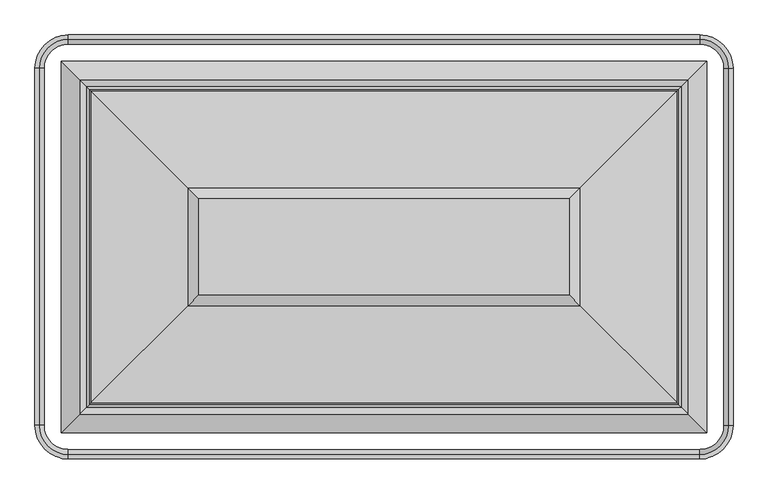
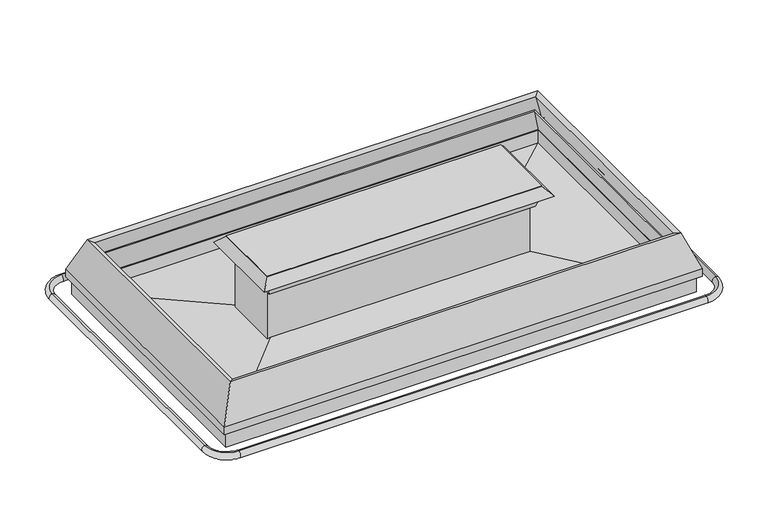
"""IFC4 building model written with IfcOpenShell, lengths in millimetres: proxy geometry."""

from ifc_helpers import new_model, si_unit, point, frame, origin, place, context, project, spatial, polyline, circle_curve, ellipse_curve, trimmed, outline, extrude, faceted_brep, source, transform, mapped, element, save
from ifc_brep_helpers import cylinder_surface, revolved_surface, advanced_brep


def mechanical_equipment_3060bb3d(model_context):
    return source(origin(), model_context, "Body", "SolidModel", [
        faceted_brep([(117.2795906, -1860.5025367, 659.9033799), (196.5954547, -1781.1866726, 861.5557008), (2486.2795453, -1781.1866726, 861.5557008), (2565.5954094, -1860.5025367, 659.9033799), (136.2488836, -1841.5332437, 652.4421919), (2546.6261164, -1841.5332437, 652.4421919), (161.0082414, -1816.7738859, 656.1660469), (160.6684124, -1817.1137149, 652.4421919), (2522.2065876, -1817.1137149, 652.4421919), (2521.8667586, -1816.7738859, 656.1660469), (207.6899, -1770.0922273, 801.2432088), (2475.1851, -1770.0922273, 801.2432088), (213.7448053, -1764.037322, 799.3299339), (2469.1301947, -1764.037322, 799.3299339), (167.0631468, -1810.7189805, 654.252772), (2515.8118532, -1810.7189805, 654.252772), (167.6563031, -1810.1258242, 649.6873876), (2515.2186969, -1810.1258242, 649.6873876), (100.5067246, -1877.2754027, 690.9584783), (100.5067246, -1877.2754027, 649.6873876), (2582.3682754, -1877.2754027, 649.6873876), (2582.3682754, -1877.2754027, 690.9584783), (171.5871715, -1806.1949558, 871.4067245), (2511.2878285, -1806.1949558, 871.4067245), (2486.2795453, -545.602582, 861.5557008), (2565.5954094, -466.2867179, 659.9033799), (2546.6261164, -485.2560109, 652.4421919), (2522.2065876, -509.6755397, 652.4421919), (2521.8667586, -510.0153687, 656.1660469), (2475.1851, -556.6970273, 801.2432088), (2469.1301947, -562.7519326, 799.3299339), (2515.8118532, -516.0702741, 654.252772), (2515.2186969, -516.6634304, 649.6873876), (2582.3682754, -449.5138519, 649.6873876), (2582.3682754, -449.5138519, 690.9584783), (2511.2878285, -520.5942988, 871.4067245), (196.5954547, -545.602582, 861.5557008), (117.2795906, -466.2867179, 659.9033799), (136.2488836, -485.2560109, 652.4421919), (160.6684124, -509.6755397, 652.4421919), (161.0082414, -510.0153687, 656.1660469), (207.6899, -556.6970273, 801.2432088), (213.7448053, -562.7519326, 799.3299339), (167.0631468, -516.0702741, 654.252772), (167.6563031, -516.6634304, 649.6873876), (100.5067246, -449.5138519, 649.6873876), (100.5067246, -449.5138519, 690.9584783), (171.5871715, -520.5942988, 871.4067245)], [[[0, 1, 2, 3]], [[4, 0, 3, 5]], [[6, 7, 8, 9]], [[10, 6, 9, 11]], [[12, 10, 11, 13]], [[14, 12, 13, 15]], [[16, 14, 15, 17]], [[18, 19, 20, 21]], [[22, 18, 21, 23]], [[1, 22, 23, 2]], [[3, 2, 24, 25]], [[5, 3, 25, 26]], [[9, 8, 27, 28]], [[11, 9, 28, 29]], [[13, 11, 29, 30]], [[15, 13, 30, 31]], [[17, 15, 31, 32]], [[21, 20, 33, 34]], [[23, 21, 34, 35]], [[2, 23, 35, 24]], [[25, 24, 36, 37]], [[26, 25, 37, 38]], [[28, 27, 39, 40]], [[29, 28, 40, 41]], [[30, 29, 41, 42]], [[31, 30, 42, 43]], [[32, 31, 43, 44]], [[34, 33, 45, 46]], [[35, 34, 46, 47]], [[24, 35, 47, 36]], [[37, 36, 1, 0]], [[38, 37, 0, 4]], [[5, 26, 38, 4], [7, 39, 27, 8]], [[40, 39, 7, 6]], [[41, 40, 6, 10]], [[42, 41, 10, 12]], [[43, 42, 12, 14]], [[44, 43, 14, 16]], [[19, 45, 33, 20], [17, 32, 44, 16]], [[46, 45, 19, 18]], [[47, 46, 18, 22]], [[36, 47, 22, 1]]]),
        extrude(outline(polyline([(2053.2098359, -1348.1169632), (629.3510743, -1348.1169632), (629.3510743, -978.6722914), (2053.2098359, -978.6722914), (2053.2098359, -1348.1169632)])), frame((0.0, 0.0, 1009.3885914), z_axis=(0.0, 0.0, 1.0), x_axis=(1.0, 0.0, 0.0)), (0.0, 0.0, 1.0), 3.1453162),
        extrude(outline(polyline([(2013.5020079, -1019.5095352), (2013.5020079, -1308.4091352), (651.401561, -1308.4091352), (651.401561, -1019.5095352), (2013.5020079, -1019.5095352)])), frame((0.0, 0.0, 581.214329), z_axis=(0.0, 0.0, 1.0), x_axis=(1.0, 0.0, 0.0)), (0.0, 0.0, 1.0), 317.8871452),
        faceted_brep([(651.401561, -1326.3805663, 893.0906294), (669.499029, -1308.2830983, 899.1014742), (2013.375971, -1308.2830983, 899.1014742), (2031.473439, -1326.3805663, 893.0906294), (627.9264988, -1349.8556285, 963.7694113), (2054.9485012, -1349.8556285, 963.7694113), (629.6651641, -1348.1169632, 1009.3885914), (588.5894698, -1389.1926575, 963.7694113), (2094.2855302, -1389.1926575, 963.7694113), (2053.2098359, -1348.1169632, 1009.3885914), (813.8861433, -1163.895984, 899.1014742), (813.8861433, -1163.895984, 1009.3885914), (1868.9888567, -1163.895984, 1009.3885914), (1868.9888567, -1163.895984, 899.1014742), (2013.375971, -1018.5061563, 899.1014742), (2031.473439, -1000.4086883, 893.0906294), (2054.9485012, -976.9336261, 963.7694113), (2094.2855302, -937.5965971, 963.7694113), (2053.2098359, -978.6722914, 1009.3885914), (1868.9888567, -1162.8932706, 1009.3885914), (1868.9888567, -1162.8932706, 899.1014742), (669.499029, -1018.5061563, 899.1014742), (651.401561, -1000.4086883, 893.0906294), (627.9264988, -976.9336261, 963.7694113), (588.5894698, -937.5965971, 963.7694113), (629.6651641, -978.6722914, 1009.3885914), (813.8861433, -1162.8932706, 1009.3885914), (813.8861433, -1162.8932706, 899.1014742)], [[[0, 1, 2, 3]], [[4, 0, 3, 5]], [[6, 7, 8, 9]], [[10, 11, 12, 13]], [[3, 2, 14, 15]], [[5, 3, 15, 16]], [[9, 8, 17, 18]], [[13, 12, 19, 20]], [[15, 14, 21, 22]], [[16, 15, 22, 23]], [[18, 17, 24, 25]], [[20, 19, 26, 27]], [[22, 21, 1, 0]], [[23, 22, 0, 4]], [[7, 24, 17, 8], [5, 16, 23, 4]], [[25, 24, 7, 6]], [[9, 18, 25, 6], [11, 26, 19, 12]], [[27, 26, 11, 10]], [[1, 21, 14, 2], [13, 20, 27, 10]]]),
        faceted_brep([(669.3729921, -1308.4091352, 432.6802077), (669.3729921, -1308.4091352, 640.7061243), (2013.5020079, -1308.4091352, 640.7061243), (2013.5020079, -1308.4091352, 432.6802077), (283.782503, -1693.9996243, 446.8348083), (2399.092497, -1693.9996243, 446.8348083), (120.7307716, -1857.0513557, 561.0048878), (2562.1442284, -1857.0513557, 561.0048878), (120.7307716, -1857.0513557, 649.6873876), (2562.1442284, -1857.0513557, 649.6873876), (168.2884124, -1809.4937149, 581.214329), (168.2884124, -1809.4937149, 649.6873876), (2514.5865876, -1809.4937149, 649.6873876), (2514.5865876, -1809.4937149, 581.214329), (2013.5020079, -1018.3801194, 640.7061243), (2013.5020079, -1018.3801194, 432.6802077), (2399.092497, -632.7896303, 446.8348083), (2562.1442284, -469.7378989, 561.0048878), (2562.1442284, -469.7378989, 649.6873876), (2514.5865876, -517.2955397, 649.6873876), (2514.5865876, -517.2955397, 581.214329), (669.3729921, -1018.3801194, 640.7061243), (669.3729921, -1018.3801194, 432.6802077), (283.782503, -632.7896303, 446.8348083), (120.7307716, -469.7378989, 561.0048878), (120.7307716, -469.7378989, 649.6873876), (168.2884124, -517.2955397, 649.6873876), (168.2884124, -517.2955397, 581.214329)], [[[0, 1, 2, 3]], [[4, 0, 3, 5]], [[6, 4, 5, 7]], [[8, 6, 7, 9]], [[10, 11, 12, 13]], [[1, 10, 13, 2]], [[3, 2, 14, 15]], [[5, 3, 15, 16]], [[7, 5, 16, 17]], [[9, 7, 17, 18]], [[13, 12, 19, 20]], [[2, 13, 20, 14]], [[15, 14, 21, 22]], [[16, 15, 22, 23]], [[17, 16, 23, 24]], [[18, 17, 24, 25]], [[20, 19, 26, 27]], [[14, 20, 27, 21]], [[22, 21, 1, 0]], [[23, 22, 0, 4]], [[24, 23, 4, 6]], [[25, 24, 6, 8]], [[9, 18, 25, 8], [11, 26, 19, 12]], [[27, 26, 11, 10]], [[21, 27, 10, 1]]]),
        advanced_brep(
        [(128.5372773, -367.261694, 567.3111181), (128.5372773, -364.6063208, 602.1833335), (2554.3377227, -364.6063208, 602.1833335), (2554.3377227, -367.261694, 567.3111181), (2664.6204333, -477.5444046, 567.3111181), (2667.2758065, -477.5444046, 602.1833335), (2667.2758065, -1849.24485, 602.1833335), (2664.6204333, -1849.24485, 567.3111181), (2554.3377227, -1959.5275606, 567.3111181), (2554.3377227, -1962.1829338, 602.1833335), (128.5372773, -1962.1829338, 602.1833335), (128.5372773, -1959.5275606, 567.3111181), (18.2545667, -1849.24485, 567.3111181), (15.5991935, -1849.24485, 602.1833335), (15.5991935, -477.5444046, 602.1833335), (18.2545667, -477.5444046, 567.3111181)],
        [
            (0, 1, circle_curve(frame((128.5372773, -366.1293194, 584.762098), z_axis=(1.0, 0.0, 0.0), x_axis=(0.0, 1.0, 0.0)), 17.4876806)),
            (1, 2),
            (2, 3, circle_curve(frame((2554.3377227, -366.1293194, 584.762098), z_axis=(-1.0, 0.0, 0.0), x_axis=(0.0, 1.0, 0.0)), 17.4876806)),
            (3, 0),
            (1, 0, circle_curve(frame((128.5372773, -366.2319692, 584.7699144), z_axis=(1.0, 0.0, 0.0), x_axis=(0.0, 1.0, 0.0)), 17.4891366)),
            (3, 2, circle_curve(frame((2554.3377227, -366.2319692, 584.7699144), z_axis=(-1.0, 0.0, 0.0), x_axis=(0.0, 1.0, 0.0)), 17.4891366)),
            (4, 3, circle_curve(frame((2554.3377227, -477.5444046, 567.3111181), z_axis=(0.0, 0.0, 1.0), x_axis=(0.0, 1.0, 0.0)), 110.2827105)),
            (2, 5, circle_curve(frame((2554.3377227, -477.5444046, 602.1833335), z_axis=(0.0, 0.0, -1.0), x_axis=(0.0, 1.0, 0.0)), 112.9380838)),
            (5, 4, circle_curve(frame((2665.7528079, -477.5444046, 584.762098), z_axis=(0.0, 1.0, 0.0), x_axis=(1.0, 0.0, 0.0)), 17.4876806)),
            (4, 5, circle_curve(frame((2665.6501581, -477.5444046, 584.7699144), z_axis=(0.0, 1.0, 0.0), x_axis=(1.0, 0.0, 0.0)), 17.4891366)),
            (5, 6),
            (6, 7, circle_curve(frame((2665.7528079, -1849.24485, 584.762098), z_axis=(0.0, 1.0, 0.0), x_axis=(1.0, 0.0, 0.0)), 17.4876806)),
            (7, 4),
            (7, 6, circle_curve(frame((2665.6501581, -1849.24485, 584.7699144), z_axis=(0.0, 1.0, 0.0), x_axis=(1.0, 0.0, 0.0)), 17.4891366)),
            (8, 7, circle_curve(frame((2554.3377227, -1849.24485, 567.3111181), z_axis=(0.0, 0.0, 1.0), x_axis=(1.0, 0.0, 0.0)), 110.2827105)),
            (6, 9, circle_curve(frame((2554.3377227, -1849.24485, 602.1833335), z_axis=(0.0, 0.0, -1.0), x_axis=(1.0, 0.0, 0.0)), 112.9380838)),
            (9, 8, circle_curve(frame((2554.3377227, -1960.6599352, 584.762098), z_axis=(1.0, 0.0, 0.0), x_axis=(0.0, -1.0, 0.0)), 17.4876806)),
            (8, 9, circle_curve(frame((2554.3377227, -1960.5572854, 584.7699144), z_axis=(1.0, 0.0, 0.0), x_axis=(0.0, -1.0, 0.0)), 17.4891366)),
            (9, 10),
            (10, 11, circle_curve(frame((128.5372773, -1960.6599352, 584.762098), z_axis=(1.0, 0.0, 0.0), x_axis=(0.0, -1.0, 0.0)), 17.4876806)),
            (11, 8),
            (11, 10, circle_curve(frame((128.5372773, -1960.5572854, 584.7699144), z_axis=(1.0, 0.0, 0.0), x_axis=(0.0, -1.0, 0.0)), 17.4891366)),
            (12, 11, circle_curve(frame((128.5372773, -1849.24485, 567.3111181), z_axis=(0.0, 0.0, 1.0), x_axis=(0.0, -1.0, 0.0)), 110.2827105)),
            (10, 13, circle_curve(frame((128.5372773, -1849.24485, 602.1833335), z_axis=(0.0, 0.0, -1.0), x_axis=(0.0, -1.0, 0.0)), 112.9380838)),
            (13, 12, circle_curve(frame((17.1221921, -1849.24485, 584.762098), z_axis=(0.0, -1.0, 0.0), x_axis=(-1.0, 0.0, 0.0)), 17.4876806)),
            (12, 13, circle_curve(frame((17.2248419, -1849.24485, 584.7699144), z_axis=(0.0, -1.0, 0.0), x_axis=(-1.0, 0.0, 0.0)), 17.4891366)),
            (13, 14),
            (14, 15, circle_curve(frame((17.1221921, -477.5444046, 584.762098), z_axis=(0.0, -1.0, 0.0), x_axis=(-1.0, 0.0, 0.0)), 17.4876806)),
            (15, 12),
            (15, 14, circle_curve(frame((17.2248419, -477.5444046, 584.7699144), z_axis=(0.0, -1.0, 0.0), x_axis=(-1.0, 0.0, 0.0)), 17.4891366)),
            (0, 15, circle_curve(frame((128.5372773, -477.5444046, 567.3111181), z_axis=(0.0, 0.0, 1.0), x_axis=(-1.0, 0.0, 0.0)), 110.2827105)),
            (14, 1, circle_curve(frame((128.5372773, -477.5444046, 602.1833335), z_axis=(0.0, 0.0, -1.0), x_axis=(-1.0, 0.0, 0.0)), 112.9380838)),
        ],
        [
            cylinder_surface(frame((128.5372773, -366.1293194, 584.762098), z_axis=(-1.0, 0.0, 0.0), x_axis=(0.0, 1.0, 0.0)), 17.4876806),
            cylinder_surface(frame((128.5372773, -366.2319692, 584.7699144), z_axis=(-1.0, 0.0, 0.0), x_axis=(0.0, 1.0, 0.0)), 17.4891366),
            revolved_surface(trimmed(ellipse_curve(frame((2554.3377227, -366.1293194, 584.762098), z_axis=(-1.0, 0.0, 0.0), x_axis=(0.0, 1.0, 0.0)), 17.4876806, 17.4876806), [point((2554.3377227, -364.6063208, 602.1833335))], [point((2554.3377227, -367.261694, 567.3111181))], True, "CARTESIAN"), (2554.3377227, -477.5444046, 0.0), (0.0, 0.0, -1.0)),
            revolved_surface(trimmed(ellipse_curve(frame((2554.3377227, -366.2319692, 584.7699144), z_axis=(-1.0, 0.0, 0.0), x_axis=(0.0, 1.0, 0.0)), 17.4891366, 17.4891366), [point((2554.3377227, -367.261694, 567.3111181))], [point((2554.3377227, -364.6063208, 602.1833335))], True, "CARTESIAN"), (2554.3377227, -477.5444046, 0.0), (0.0, 0.0, -1.0)),
            cylinder_surface(frame((2665.7528079, -477.5444046, 584.762098), z_axis=(0.0, 1.0, 0.0), x_axis=(1.0, 0.0, 0.0)), 17.4876806),
            cylinder_surface(frame((2665.6501581, -477.5444046, 584.7699144), z_axis=(0.0, 1.0, 0.0), x_axis=(1.0, 0.0, 0.0)), 17.4891366),
            revolved_surface(trimmed(ellipse_curve(frame((2665.7528079, -1849.24485, 584.762098), z_axis=(0.0, 1.0, 0.0), x_axis=(1.0, 0.0, 0.0)), 17.4876806, 17.4876806), [point((2667.2758065, -1849.24485, 602.1833335))], [point((2664.6204333, -1849.24485, 567.3111181))], True, "CARTESIAN"), (2554.3377227, -1849.24485, 0.0), (0.0, 0.0, -1.0)),
            revolved_surface(trimmed(ellipse_curve(frame((2665.6501581, -1849.24485, 584.7699144), z_axis=(0.0, 1.0, 0.0), x_axis=(1.0, 0.0, 0.0)), 17.4891366, 17.4891366), [point((2664.6204333, -1849.24485, 567.3111181))], [point((2667.2758065, -1849.24485, 602.1833335))], True, "CARTESIAN"), (2554.3377227, -1849.24485, 0.0), (0.0, 0.0, -1.0)),
            cylinder_surface(frame((2554.3377227, -1960.6599352, 584.762098), z_axis=(1.0, 0.0, 0.0), x_axis=(0.0, -1.0, 0.0)), 17.4876806),
            cylinder_surface(frame((2554.3377227, -1960.5572854, 584.7699144), z_axis=(1.0, 0.0, 0.0), x_axis=(0.0, -1.0, 0.0)), 17.4891366),
            revolved_surface(trimmed(ellipse_curve(frame((128.5372773, -1960.6599352, 584.762098), z_axis=(1.0, 0.0, 0.0), x_axis=(0.0, -1.0, 0.0)), 17.4876806, 17.4876806), [point((128.5372773, -1962.1829338, 602.1833335))], [point((128.5372773, -1959.5275606, 567.3111181))], True, "CARTESIAN"), (128.5372773, -1849.24485, 0.0), (0.0, 0.0, -1.0)),
            revolved_surface(trimmed(ellipse_curve(frame((128.5372773, -1960.5572854, 584.7699144), z_axis=(1.0, 0.0, 0.0), x_axis=(0.0, -1.0, 0.0)), 17.4891366, 17.4891366), [point((128.5372773, -1959.5275606, 567.3111181))], [point((128.5372773, -1962.1829338, 602.1833335))], True, "CARTESIAN"), (128.5372773, -1849.24485, 0.0), (0.0, 0.0, -1.0)),
            cylinder_surface(frame((17.1221921, -1849.24485, 584.762098), z_axis=(0.0, -1.0, 0.0), x_axis=(-1.0, 0.0, 0.0)), 17.4876806),
            cylinder_surface(frame((17.2248419, -1849.24485, 584.7699144), z_axis=(0.0, -1.0, 0.0), x_axis=(-1.0, 0.0, 0.0)), 17.4891366),
            revolved_surface(trimmed(ellipse_curve(frame((17.1221921, -477.5444046, 584.762098), z_axis=(0.0, -1.0, 0.0), x_axis=(-1.0, 0.0, 0.0)), 17.4876806, 17.4876806), [point((15.5991935, -477.5444046, 602.1833335))], [point((18.2545667, -477.5444046, 567.3111181))], True, "CARTESIAN"), (128.5372773, -477.5444046, 0.0), (0.0, 0.0, -1.0)),
            revolved_surface(trimmed(ellipse_curve(frame((17.2248419, -477.5444046, 584.7699144), z_axis=(0.0, -1.0, 0.0), x_axis=(-1.0, 0.0, 0.0)), 17.4891366, 17.4891366), [point((18.2545667, -477.5444046, 567.3111181))], [point((15.5991935, -477.5444046, 602.1833335))], True, "CARTESIAN"), (128.5372773, -477.5444046, 0.0), (0.0, 0.0, -1.0)),
        ],
        [
            (0, [[1, 2, 3, 4]]),
            (1, [[5, -4, 6, -2]]),
            (2, [[7, -3, 8, 9]]),
            (3, [[-8, -6, -7, 10]]),
            (4, [[-9, 11, 12, 13]]),
            (5, [[-10, -13, 14, -11]]),
            (6, [[15, -12, 16, 17]]),
            (7, [[-16, -14, -15, 18]]),
            (8, [[-17, 19, 20, 21]]),
            (9, [[-18, -21, 22, -19]]),
            (10, [[23, -20, 24, 25]]),
            (11, [[-24, -22, -23, 26]]),
            (12, [[-25, 27, 28, 29]]),
            (13, [[-26, -29, 30, -27]]),
            (14, [[31, -28, 32, -1]]),
            (15, [[-32, -30, -31, -5]]),
        ],
    ),
    ])


if __name__ == "__main__":
    model = new_model("IFC4")
    model_context = context("Model", 3, world=origin())
    ifc_project = project(units=[si_unit("LENGTHUNIT", "METRE", prefix="MILLI")], contexts=[model_context])
    site = spatial("IfcSite", under=ifc_project)
    building = spatial("IfcBuilding", under=site)
    placement = place(None, origin())
    mechanical_equipment_shape = mechanical_equipment_3060bb3d(model_context)
    element("IfcBuildingElementProxy", 1, Name="Mechanical Equipment", at=placement, inside=building, context=model_context, shape_type="MappedRepresentation", body=[
        mapped(mechanical_equipment_shape, transform((0.0, 0.0, 0.0), x_axis=(1.0, 0.0, 0.0), y_axis=(0.0, 1.0, 0.0), z_axis=(0.0, 0.0, 1.0))),
    ])
    save(model, "model.ifc")
